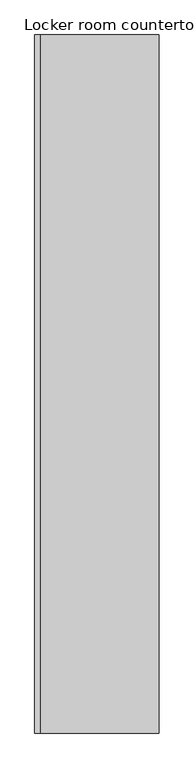
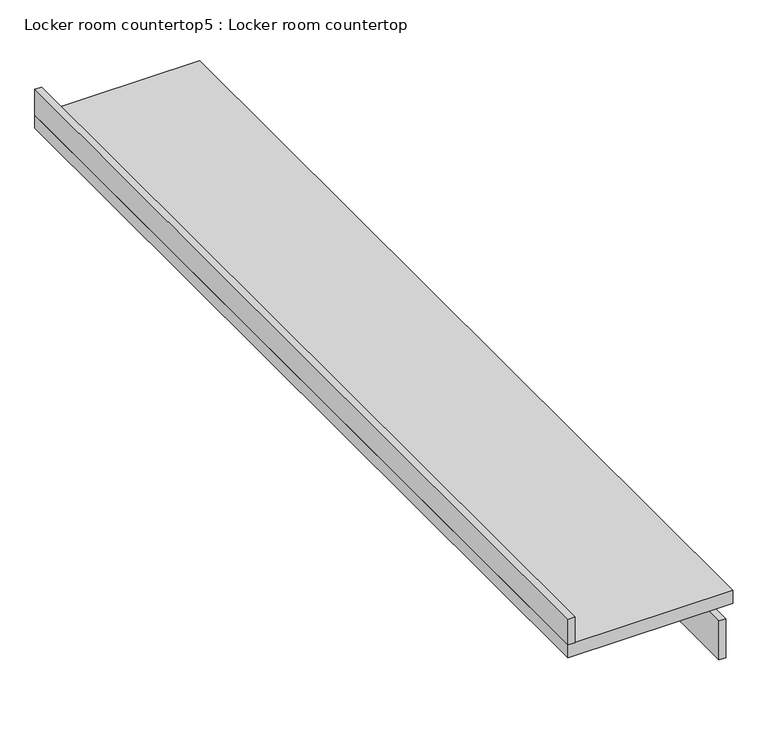
"""IFC4 building model written with IfcOpenShell, lengths in millimetres: furniture geometry, Locker room countertop5 : Locker room countertop."""

from ifc_helpers import new_model, si_unit, frame, origin, place, context, project, spatial, polyline, outline, extrude, source, transform, mapped, element, save


def locker_room_countertop5_locker_room_countertop_a21cd421(model_context):
    return source(origin(), model_context, "Body", "SweptSolid", [
        extrude(outline(polyline([(244427.1629676, -253802.192121), (244427.1629676, -257224.842121), (244401.7629676, -257224.842121), (244401.7629676, -253802.192121), (244427.1629676, -253802.192121)])), frame((0.0, 0.0, 660.4), z_axis=(0.0, 0.0, 1.0), x_axis=(1.0, 0.0, 0.0)), (0.0, 0.0, 1.0), 152.4),
        extrude(outline(polyline([(243868.3629676, -257224.842121), (243842.9629676, -257224.842121), (243842.9629676, -253802.192121), (243868.3629676, -253802.192121), (243868.3629676, -257224.842121)])), frame((0.0, 0.0, 914.4), z_axis=(0.0, 0.0, 1.0), x_axis=(1.0, 0.0, 0.0)), (0.0, 0.0, 1.0), 101.6),
        extrude(outline(polyline([(244452.5629676, -257224.842121), (243842.9629676, -257224.842121), (243842.9629676, -253802.192121), (244452.5629676, -253802.192121), (244452.5629676, -257224.842121)])), frame((0.0, 0.0, 863.6), z_axis=(0.0, 0.0, 1.0), x_axis=(1.0, 0.0, 0.0)), (0.0, 0.0, 1.0), 50.8),
    ])


if __name__ == "__main__":
    model = new_model("IFC4")
    model_context = context("Model", 3, world=origin())
    ifc_project = project(units=[si_unit("LENGTHUNIT", "METRE", prefix="MILLI")], contexts=[model_context])
    site = spatial("IfcSite", under=ifc_project)
    building = spatial("IfcBuilding", under=site)
    placement = place(None, origin())
    locker_room_countertop5_locker_room_countertop_shape = locker_room_countertop5_locker_room_countertop_a21cd421(model_context)
    element("IfcFurniture", 1, ObjectType="Locker room countertop5 : Locker room countertop", at=placement, inside=building, context=model_context, shape_type="MappedRepresentation", body=[
        mapped(locker_room_countertop5_locker_room_countertop_shape, transform((0.0, 0.0, 0.0), x_axis=(1.0, 0.0, 0.0), y_axis=(0.0, 1.0, 0.0), z_axis=(0.0, 0.0, 1.0))),
    ])
    save(model, "model.ifc")
